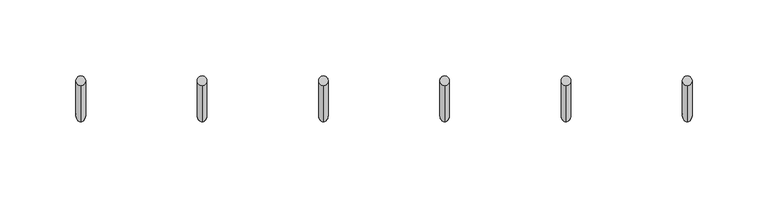
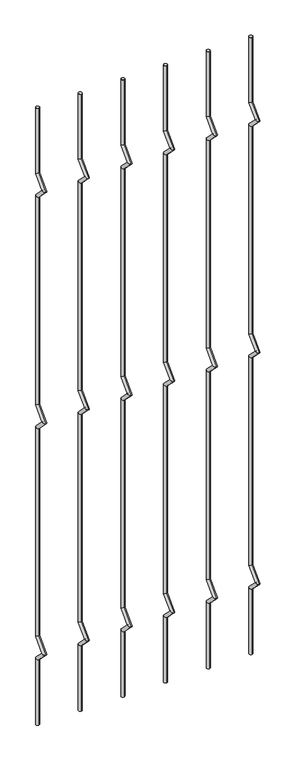
"""IFC4 building model written with IfcOpenShell, lengths in millimetres: railing geometry."""

from ifc_helpers import new_model, si_unit, frame, origin, place, context, project, spatial, circle_curve, ellipse_curve, source, transform, mapped, element, save
from ifc_brep_helpers import plane_surface, cylinder_surface, advanced_brep


def railing_8df06dd0(model_context):
    return source(origin(), model_context, "Body", "AdvancedBrep", [
        advanced_brep(
        [(-15845.0714853, 14808.5554142, 25.4), (-15845.0714853, 14802.2054142, 25.4), (-15845.0714853, 14802.2054142, 154.0342316), (-15845.0714853, 14808.5554142, 156.6644878), (-15845.0714853, 14778.4396458, 177.8), (-15845.0714853, 14787.419902, 177.8), (-15845.0714853, 14802.2054142, 201.5657684), (-15845.0714853, 14808.5554142, 198.9355122), (-15845.0714853, 14802.2054142, 611.2342316), (-15845.0714853, 14808.5554142, 613.8644878), (-15845.0714853, 14778.4396458, 635.0), (-15845.0714853, 14787.419902, 635.0), (-15845.0714853, 14802.2054142, 658.7657684), (-15845.0714853, 14808.5554142, 656.1355122), (-15845.0714853, 14802.2054142, 1068.4342316), (-15845.0714853, 14808.5554142, 1071.0644878), (-15845.0714853, 14778.4396458, 1092.2), (-15845.0714853, 14787.419902, 1092.2), (-15845.0714853, 14802.2054142, 1115.9657684), (-15845.0714853, 14808.5554142, 1113.3355122), (-15845.0714853, 14808.5554142, 1244.6), (-15845.0714853, 14802.2054142, 1244.6)],
        [
            (0, 1, circle_curve(frame((-15845.0714853, 14805.3804142, 25.4), z_axis=(0.0, 0.0, -1.0), x_axis=(0.0, -1.0, 0.0)), 3.175)),
            (1, 0, circle_curve(frame((-15845.0714853, 14805.3804142, 25.4), z_axis=(0.0, 0.0, -1.0), x_axis=(0.0, -1.0, 0.0)), 3.175)),
            (1, 2),
            (2, 3, ellipse_curve(frame((-15845.0714853, 14805.3804142, 155.3493597), z_axis=(0.0, 0.3826834323650955, -0.9238795325112844), x_axis=(0.0, -0.9238795325112845, -0.38268343236509544)), 3.4365952, 3.175)),
            (3, 0),
            (3, 2, ellipse_curve(frame((-15845.0714853, 14805.3804142, 155.3493597), z_axis=(0.0, 0.3826834323650955, -0.9238795325112844), x_axis=(0.0, -0.9238795325112845, -0.38268343236509544)), 3.4365952, 3.175)),
            (2, 4),
            (4, 5, ellipse_curve(frame((-15845.0714853, 14782.9297739, 177.8), z_axis=(0.0, 0.0, -1.0), x_axis=(0.0, 1.0, 0.0)), 4.4901281, 3.175)),
            (5, 3),
            (5, 4, ellipse_curve(frame((-15845.0714853, 14782.9297739, 177.8), z_axis=(0.0, 0.0, -1.0), x_axis=(0.0, 1.0, 0.0)), 4.4901281, 3.175)),
            (4, 6),
            (6, 7, ellipse_curve(frame((-15845.0714853, 14805.3804142, 200.2506403), z_axis=(0.0, -0.3826834323650839, -0.9238795325112892), x_axis=(0.0, -0.9238795325112893, 0.38268343236508373)), 3.4365952, 3.175)),
            (7, 5),
            (7, 6, ellipse_curve(frame((-15845.0714853, 14805.3804142, 200.2506403), z_axis=(0.0, -0.3826834323650839, -0.9238795325112892), x_axis=(0.0, -0.9238795325112893, 0.38268343236508373)), 3.4365952, 3.175)),
            (6, 8),
            (8, 9, ellipse_curve(frame((-15845.0714853, 14805.3804142, 612.5493597), z_axis=(0.0, 0.3826834323651024, -0.9238795325112816), x_axis=(0.0, -0.9238795325112816, -0.382683432365102)), 3.4365952, 3.175)),
            (9, 7),
            (9, 8, ellipse_curve(frame((-15845.0714853, 14805.3804142, 612.5493597), z_axis=(0.0, 0.3826834323651024, -0.9238795325112816), x_axis=(0.0, -0.9238795325112816, -0.382683432365102)), 3.4365952, 3.175)),
            (8, 10),
            (10, 11, ellipse_curve(frame((-15845.0714853, 14782.9297739, 635.0), z_axis=(0.0, 0.0, -1.0), x_axis=(0.0, 1.0, 0.0)), 4.4901281, 3.175)),
            (11, 9),
            (11, 10, ellipse_curve(frame((-15845.0714853, 14782.9297739, 635.0), z_axis=(0.0, 0.0, -1.0), x_axis=(0.0, 1.0, 0.0)), 4.4901281, 3.175)),
            (10, 12),
            (12, 13, ellipse_curve(frame((-15845.0714853, 14805.3804142, 657.4506403), z_axis=(0.0, -0.3826834323650771, -0.923879532511292), x_axis=(0.0, -0.9238795325112918, 0.3826834323650773)), 3.4365952, 3.175)),
            (13, 11),
            (13, 12, ellipse_curve(frame((-15845.0714853, 14805.3804142, 657.4506403), z_axis=(0.0, -0.3826834323650771, -0.923879532511292), x_axis=(0.0, -0.9238795325112918, 0.3826834323650773)), 3.4365952, 3.175)),
            (12, 14),
            (14, 15, ellipse_curve(frame((-15845.0714853, 14805.3804142, 1069.7493597), z_axis=(0.0, 0.3826834323650978, -0.9238795325112834), x_axis=(0.0, -0.9238795325112834, -0.382683432365098)), 3.4365952, 3.175)),
            (15, 13),
            (15, 14, ellipse_curve(frame((-15845.0714853, 14805.3804142, 1069.7493597), z_axis=(0.0, 0.3826834323650978, -0.9238795325112834), x_axis=(0.0, -0.9238795325112834, -0.382683432365098)), 3.4365952, 3.175)),
            (14, 16),
            (16, 17, ellipse_curve(frame((-15845.0714853, 14782.9297739, 1092.2), z_axis=(0.0, 0.0, -1.0), x_axis=(0.0, 1.0, 0.0)), 4.4901281, 3.175)),
            (17, 15),
            (17, 16, ellipse_curve(frame((-15845.0714853, 14782.9297739, 1092.2), z_axis=(0.0, 0.0, -1.0), x_axis=(0.0, 1.0, 0.0)), 4.4901281, 3.175)),
            (16, 18),
            (18, 19, ellipse_curve(frame((-15845.0714853, 14805.3804142, 1114.6506403), z_axis=(0.0, -0.38268343236508223, -0.9238795325112898), x_axis=(0.0, -0.92387953251129, 0.38268343236508207)), 3.4365952, 3.175)),
            (19, 17),
            (19, 18, ellipse_curve(frame((-15845.0714853, 14805.3804142, 1114.6506403), z_axis=(0.0, -0.38268343236508223, -0.9238795325112898), x_axis=(0.0, -0.92387953251129, 0.38268343236508207)), 3.4365952, 3.175)),
            (20, 21, circle_curve(frame((-15845.0714853, 14805.3804142, 1244.6), z_axis=(0.0, 0.0, 1.0), x_axis=(0.0, -1.0, 0.0)), 3.175)),
            (21, 20, circle_curve(frame((-15845.0714853, 14805.3804142, 1244.6), z_axis=(0.0, 0.0, 1.0), x_axis=(0.0, -1.0, 0.0)), 3.175)),
            (18, 21),
            (20, 19),
        ],
        [
            plane_surface(frame((-15845.0714853, 14805.3804142, 25.4), z_axis=(0.0, 0.0, -1.0), x_axis=(-1.0, 0.0, 0.0))),
            cylinder_surface(frame((-15845.0714853, 14805.3804142, 25.4), z_axis=(0.0, 0.0, -1.0), x_axis=(0.0, -1.0, 0.0)), 3.175),
            cylinder_surface(frame((-15845.0714853, 14805.3804142, 155.3493597), z_axis=(0.0, 0.7071067811865563, -0.7071067811865388), x_axis=(0.0, -0.7071067811865388, -0.7071067811865563)), 3.175),
            cylinder_surface(frame((-15845.0714853, 14782.9297739, 177.8), z_axis=(0.0, -0.7071067811865385, -0.7071067811865568), x_axis=(0.0, -0.7071067811865568, 0.7071067811865385)), 3.175),
            cylinder_surface(frame((-15845.0714853, 14805.3804142, 200.2506403), z_axis=(0.0, 0.0, -1.0), x_axis=(0.0, -1.0, 0.0)), 3.175),
            cylinder_surface(frame((-15845.0714853, 14805.3804142, 612.5493597), z_axis=(0.0, 0.7071067811865669, -0.707106781186528), x_axis=(0.0, -0.707106781186528, -0.7071067811865669)), 3.175),
            cylinder_surface(frame((-15845.0714853, 14782.9297739, 635.0), z_axis=(0.0, -0.7071067811865279, -0.7071067811865672), x_axis=(0.0, -0.7071067811865672, 0.7071067811865279)), 3.175),
            cylinder_surface(frame((-15845.0714853, 14805.3804142, 657.4506403), z_axis=(0.0, 0.0, -1.0), x_axis=(0.0, -1.0, 0.0)), 3.175),
            cylinder_surface(frame((-15845.0714853, 14805.3804142, 1069.7493597), z_axis=(0.0, 0.7071067811865601, -0.707106781186535), x_axis=(0.0, -0.707106781186535, -0.7071067811865601)), 3.175),
            cylinder_surface(frame((-15845.0714853, 14782.9297739, 1092.2), z_axis=(0.0, -0.7071067811865356, -0.7071067811865596), x_axis=(0.0, -0.7071067811865596, 0.7071067811865356)), 3.175),
            plane_surface(frame((-15845.0714853, 14805.3804142, 1244.6), z_axis=(0.0, 0.0, 1.0), x_axis=(-1.0, 0.0, 0.0))),
            cylinder_surface(frame((-15845.0714853, 14805.3804142, 1114.6506403), z_axis=(0.0, 0.0, -1.0), x_axis=(0.0, -1.0, 0.0)), 3.175),
        ],
        [
            (0, [[1, 2]]),
            (1, [[3, 4, 5, -2]]),
            (1, [[-5, 6, -3, -1]]),
            (2, [[7, 8, 9, -4]]),
            (2, [[-9, 10, -7, -6]]),
            (3, [[11, 12, 13, -8]]),
            (3, [[-13, 14, -11, -10]]),
            (4, [[15, 16, 17, -12]]),
            (4, [[-17, 18, -15, -14]]),
            (5, [[19, 20, 21, -16]]),
            (5, [[-21, 22, -19, -18]]),
            (6, [[23, 24, 25, -20]]),
            (6, [[-25, 26, -23, -22]]),
            (7, [[27, 28, 29, -24]]),
            (7, [[-29, 30, -27, -26]]),
            (8, [[31, 32, 33, -28]]),
            (8, [[-33, 34, -31, -30]]),
            (9, [[35, 36, 37, -32]]),
            (9, [[-37, 38, -35, -34]]),
            (10, [[39, 40]]),
            (11, [[41, -39, 42, -36]]),
            (11, [[-42, -40, -41, -38]]),
        ],
    ),
        advanced_brep(
        [(-15765.1951695, 14808.5554142, 25.4), (-15765.1951695, 14802.2054142, 25.4), (-15765.1951695, 14802.2054142, 154.0342316), (-15765.1951695, 14808.5554142, 156.6644878), (-15765.1951695, 14778.4396458, 177.8), (-15765.1951695, 14787.419902, 177.8), (-15765.1951695, 14802.2054142, 201.5657684), (-15765.1951695, 14808.5554142, 198.9355122), (-15765.1951695, 14802.2054142, 611.2342316), (-15765.1951695, 14808.5554142, 613.8644878), (-15765.1951695, 14778.4396458, 635.0), (-15765.1951695, 14787.419902, 635.0), (-15765.1951695, 14802.2054142, 658.7657684), (-15765.1951695, 14808.5554142, 656.1355122), (-15765.1951695, 14802.2054142, 1068.4342316), (-15765.1951695, 14808.5554142, 1071.0644878), (-15765.1951695, 14778.4396458, 1092.2), (-15765.1951695, 14787.419902, 1092.2), (-15765.1951695, 14802.2054142, 1115.9657684), (-15765.1951695, 14808.5554142, 1113.3355122), (-15765.1951695, 14808.5554142, 1244.6), (-15765.1951695, 14802.2054142, 1244.6)],
        [
            (0, 1, circle_curve(frame((-15765.1951695, 14805.3804142, 25.4), z_axis=(0.0, 0.0, -1.0), x_axis=(0.0, -1.0, 0.0)), 3.175)),
            (1, 0, circle_curve(frame((-15765.1951695, 14805.3804142, 25.4), z_axis=(0.0, 0.0, -1.0), x_axis=(0.0, -1.0, 0.0)), 3.175)),
            (1, 2),
            (2, 3, ellipse_curve(frame((-15765.1951695, 14805.3804142, 155.3493597), z_axis=(0.0, 0.3826834323650955, -0.9238795325112844), x_axis=(0.0, -0.9238795325112845, -0.38268343236509544)), 3.4365952, 3.175)),
            (3, 0),
            (3, 2, ellipse_curve(frame((-15765.1951695, 14805.3804142, 155.3493597), z_axis=(0.0, 0.3826834323650955, -0.9238795325112844), x_axis=(0.0, -0.9238795325112845, -0.38268343236509544)), 3.4365952, 3.175)),
            (2, 4),
            (4, 5, ellipse_curve(frame((-15765.1951695, 14782.9297739, 177.8), z_axis=(0.0, 0.0, -1.0), x_axis=(0.0, 1.0, 0.0)), 4.4901281, 3.175)),
            (5, 3),
            (5, 4, ellipse_curve(frame((-15765.1951695, 14782.9297739, 177.8), z_axis=(0.0, 0.0, -1.0), x_axis=(0.0, 1.0, 0.0)), 4.4901281, 3.175)),
            (4, 6),
            (6, 7, ellipse_curve(frame((-15765.1951695, 14805.3804142, 200.2506403), z_axis=(0.0, -0.3826834323650839, -0.9238795325112892), x_axis=(0.0, -0.9238795325112893, 0.38268343236508373)), 3.4365952, 3.175)),
            (7, 5),
            (7, 6, ellipse_curve(frame((-15765.1951695, 14805.3804142, 200.2506403), z_axis=(0.0, -0.3826834323650839, -0.9238795325112892), x_axis=(0.0, -0.9238795325112893, 0.38268343236508373)), 3.4365952, 3.175)),
            (6, 8),
            (8, 9, ellipse_curve(frame((-15765.1951695, 14805.3804142, 612.5493597), z_axis=(0.0, 0.3826834323651024, -0.9238795325112816), x_axis=(0.0, -0.9238795325112816, -0.382683432365102)), 3.4365952, 3.175)),
            (9, 7),
            (9, 8, ellipse_curve(frame((-15765.1951695, 14805.3804142, 612.5493597), z_axis=(0.0, 0.3826834323651024, -0.9238795325112816), x_axis=(0.0, -0.9238795325112816, -0.382683432365102)), 3.4365952, 3.175)),
            (8, 10),
            (10, 11, ellipse_curve(frame((-15765.1951695, 14782.9297739, 635.0), z_axis=(0.0, 0.0, -1.0), x_axis=(0.0, 1.0, 0.0)), 4.4901281, 3.175)),
            (11, 9),
            (11, 10, ellipse_curve(frame((-15765.1951695, 14782.9297739, 635.0), z_axis=(0.0, 0.0, -1.0), x_axis=(0.0, 1.0, 0.0)), 4.4901281, 3.175)),
            (10, 12),
            (12, 13, ellipse_curve(frame((-15765.1951695, 14805.3804142, 657.4506403), z_axis=(0.0, -0.3826834323650771, -0.923879532511292), x_axis=(0.0, -0.9238795325112918, 0.3826834323650773)), 3.4365952, 3.175)),
            (13, 11),
            (13, 12, ellipse_curve(frame((-15765.1951695, 14805.3804142, 657.4506403), z_axis=(0.0, -0.3826834323650771, -0.923879532511292), x_axis=(0.0, -0.9238795325112918, 0.3826834323650773)), 3.4365952, 3.175)),
            (12, 14),
            (14, 15, ellipse_curve(frame((-15765.1951695, 14805.3804142, 1069.7493597), z_axis=(0.0, 0.3826834323650978, -0.9238795325112834), x_axis=(0.0, -0.9238795325112834, -0.382683432365098)), 3.4365952, 3.175)),
            (15, 13),
            (15, 14, ellipse_curve(frame((-15765.1951695, 14805.3804142, 1069.7493597), z_axis=(0.0, 0.3826834323650978, -0.9238795325112834), x_axis=(0.0, -0.9238795325112834, -0.382683432365098)), 3.4365952, 3.175)),
            (14, 16),
            (16, 17, ellipse_curve(frame((-15765.1951695, 14782.9297739, 1092.2), z_axis=(0.0, 0.0, -1.0), x_axis=(0.0, 1.0, 0.0)), 4.4901281, 3.175)),
            (17, 15),
            (17, 16, ellipse_curve(frame((-15765.1951695, 14782.9297739, 1092.2), z_axis=(0.0, 0.0, -1.0), x_axis=(0.0, 1.0, 0.0)), 4.4901281, 3.175)),
            (16, 18),
            (18, 19, ellipse_curve(frame((-15765.1951695, 14805.3804142, 1114.6506403), z_axis=(0.0, -0.38268343236508223, -0.9238795325112898), x_axis=(0.0, -0.92387953251129, 0.38268343236508207)), 3.4365952, 3.175)),
            (19, 17),
            (19, 18, ellipse_curve(frame((-15765.1951695, 14805.3804142, 1114.6506403), z_axis=(0.0, -0.38268343236508223, -0.9238795325112898), x_axis=(0.0, -0.92387953251129, 0.38268343236508207)), 3.4365952, 3.175)),
            (20, 21, circle_curve(frame((-15765.1951695, 14805.3804142, 1244.6), z_axis=(0.0, 0.0, 1.0), x_axis=(0.0, -1.0, 0.0)), 3.175)),
            (21, 20, circle_curve(frame((-15765.1951695, 14805.3804142, 1244.6), z_axis=(0.0, 0.0, 1.0), x_axis=(0.0, -1.0, 0.0)), 3.175)),
            (18, 21),
            (20, 19),
        ],
        [
            plane_surface(frame((-15765.1951695, 14805.3804142, 25.4), z_axis=(0.0, 0.0, -1.0), x_axis=(-1.0, 0.0, 0.0))),
            cylinder_surface(frame((-15765.1951695, 14805.3804142, 25.4), z_axis=(0.0, 0.0, -1.0), x_axis=(0.0, -1.0, 0.0)), 3.175),
            cylinder_surface(frame((-15765.1951695, 14805.3804142, 155.3493597), z_axis=(0.0, 0.7071067811865563, -0.7071067811865388), x_axis=(0.0, -0.7071067811865388, -0.7071067811865563)), 3.175),
            cylinder_surface(frame((-15765.1951695, 14782.9297739, 177.8), z_axis=(0.0, -0.7071067811865385, -0.7071067811865568), x_axis=(0.0, -0.7071067811865568, 0.7071067811865385)), 3.175),
            cylinder_surface(frame((-15765.1951695, 14805.3804142, 200.2506403), z_axis=(0.0, 0.0, -1.0), x_axis=(0.0, -1.0, 0.0)), 3.175),
            cylinder_surface(frame((-15765.1951695, 14805.3804142, 612.5493597), z_axis=(0.0, 0.7071067811865669, -0.707106781186528), x_axis=(0.0, -0.707106781186528, -0.7071067811865669)), 3.175),
            cylinder_surface(frame((-15765.1951695, 14782.9297739, 635.0), z_axis=(0.0, -0.7071067811865279, -0.7071067811865672), x_axis=(0.0, -0.7071067811865672, 0.7071067811865279)), 3.175),
            cylinder_surface(frame((-15765.1951695, 14805.3804142, 657.4506403), z_axis=(0.0, 0.0, -1.0), x_axis=(0.0, -1.0, 0.0)), 3.175),
            cylinder_surface(frame((-15765.1951695, 14805.3804142, 1069.7493597), z_axis=(0.0, 0.7071067811865601, -0.707106781186535), x_axis=(0.0, -0.707106781186535, -0.7071067811865601)), 3.175),
            cylinder_surface(frame((-15765.1951695, 14782.9297739, 1092.2), z_axis=(0.0, -0.7071067811865356, -0.7071067811865596), x_axis=(0.0, -0.7071067811865596, 0.7071067811865356)), 3.175),
            plane_surface(frame((-15765.1951695, 14805.3804142, 1244.6), z_axis=(0.0, 0.0, 1.0), x_axis=(-1.0, 0.0, 0.0))),
            cylinder_surface(frame((-15765.1951695, 14805.3804142, 1114.6506403), z_axis=(0.0, 0.0, -1.0), x_axis=(0.0, -1.0, 0.0)), 3.175),
        ],
        [
            (0, [[1, 2]]),
            (1, [[3, 4, 5, -2]]),
            (1, [[-5, 6, -3, -1]]),
            (2, [[7, 8, 9, -4]]),
            (2, [[-9, 10, -7, -6]]),
            (3, [[11, 12, 13, -8]]),
            (3, [[-13, 14, -11, -10]]),
            (4, [[15, 16, 17, -12]]),
            (4, [[-17, 18, -15, -14]]),
            (5, [[19, 20, 21, -16]]),
            (5, [[-21, 22, -19, -18]]),
            (6, [[23, 24, 25, -20]]),
            (6, [[-25, 26, -23, -22]]),
            (7, [[27, 28, 29, -24]]),
            (7, [[-29, 30, -27, -26]]),
            (8, [[31, 32, 33, -28]]),
            (8, [[-33, 34, -31, -30]]),
            (9, [[35, 36, 37, -32]]),
            (9, [[-37, 38, -35, -34]]),
            (10, [[39, 40]]),
            (11, [[41, -39, 42, -36]]),
            (11, [[-42, -40, -41, -38]]),
        ],
    ),
        advanced_brep(
        [(-15685.3188537, 14808.5554142, 25.4), (-15685.3188537, 14802.2054142, 25.4), (-15685.3188537, 14802.2054142, 154.0342316), (-15685.3188537, 14808.5554142, 156.6644878), (-15685.3188537, 14778.4396458, 177.8), (-15685.3188537, 14787.419902, 177.8), (-15685.3188537, 14802.2054142, 201.5657684), (-15685.3188537, 14808.5554142, 198.9355122), (-15685.3188537, 14802.2054142, 611.2342316), (-15685.3188537, 14808.5554142, 613.8644878), (-15685.3188537, 14778.4396458, 635.0), (-15685.3188537, 14787.419902, 635.0), (-15685.3188537, 14802.2054142, 658.7657684), (-15685.3188537, 14808.5554142, 656.1355122), (-15685.3188537, 14802.2054142, 1068.4342316), (-15685.3188537, 14808.5554142, 1071.0644878), (-15685.3188537, 14778.4396458, 1092.2), (-15685.3188537, 14787.419902, 1092.2), (-15685.3188537, 14802.2054142, 1115.9657684), (-15685.3188537, 14808.5554142, 1113.3355122), (-15685.3188537, 14808.5554142, 1244.6), (-15685.3188537, 14802.2054142, 1244.6)],
        [
            (0, 1, circle_curve(frame((-15685.3188537, 14805.3804142, 25.4), z_axis=(0.0, 0.0, -1.0), x_axis=(0.0, -1.0, 0.0)), 3.175)),
            (1, 0, circle_curve(frame((-15685.3188537, 14805.3804142, 25.4), z_axis=(0.0, 0.0, -1.0), x_axis=(0.0, -1.0, 0.0)), 3.175)),
            (1, 2),
            (2, 3, ellipse_curve(frame((-15685.3188537, 14805.3804142, 155.3493597), z_axis=(0.0, 0.3826834323650955, -0.9238795325112844), x_axis=(0.0, -0.9238795325112845, -0.38268343236509544)), 3.4365952, 3.175)),
            (3, 0),
            (3, 2, ellipse_curve(frame((-15685.3188537, 14805.3804142, 155.3493597), z_axis=(0.0, 0.3826834323650955, -0.9238795325112844), x_axis=(0.0, -0.9238795325112845, -0.38268343236509544)), 3.4365952, 3.175)),
            (2, 4),
            (4, 5, ellipse_curve(frame((-15685.3188537, 14782.9297739, 177.8), z_axis=(0.0, 0.0, -1.0), x_axis=(0.0, 1.0, 0.0)), 4.4901281, 3.175)),
            (5, 3),
            (5, 4, ellipse_curve(frame((-15685.3188537, 14782.9297739, 177.8), z_axis=(0.0, 0.0, -1.0), x_axis=(0.0, 1.0, 0.0)), 4.4901281, 3.175)),
            (4, 6),
            (6, 7, ellipse_curve(frame((-15685.3188537, 14805.3804142, 200.2506403), z_axis=(0.0, -0.3826834323650839, -0.9238795325112892), x_axis=(0.0, -0.9238795325112893, 0.38268343236508373)), 3.4365952, 3.175)),
            (7, 5),
            (7, 6, ellipse_curve(frame((-15685.3188537, 14805.3804142, 200.2506403), z_axis=(0.0, -0.3826834323650839, -0.9238795325112892), x_axis=(0.0, -0.9238795325112893, 0.38268343236508373)), 3.4365952, 3.175)),
            (6, 8),
            (8, 9, ellipse_curve(frame((-15685.3188537, 14805.3804142, 612.5493597), z_axis=(0.0, 0.3826834323651024, -0.9238795325112816), x_axis=(0.0, -0.9238795325112816, -0.382683432365102)), 3.4365952, 3.175)),
            (9, 7),
            (9, 8, ellipse_curve(frame((-15685.3188537, 14805.3804142, 612.5493597), z_axis=(0.0, 0.3826834323651024, -0.9238795325112816), x_axis=(0.0, -0.9238795325112816, -0.382683432365102)), 3.4365952, 3.175)),
            (8, 10),
            (10, 11, ellipse_curve(frame((-15685.3188537, 14782.9297739, 635.0), z_axis=(0.0, 0.0, -1.0), x_axis=(0.0, 1.0, 0.0)), 4.4901281, 3.175)),
            (11, 9),
            (11, 10, ellipse_curve(frame((-15685.3188537, 14782.9297739, 635.0), z_axis=(0.0, 0.0, -1.0), x_axis=(0.0, 1.0, 0.0)), 4.4901281, 3.175)),
            (10, 12),
            (12, 13, ellipse_curve(frame((-15685.3188537, 14805.3804142, 657.4506403), z_axis=(0.0, -0.3826834323650771, -0.923879532511292), x_axis=(0.0, -0.9238795325112918, 0.3826834323650773)), 3.4365952, 3.175)),
            (13, 11),
            (13, 12, ellipse_curve(frame((-15685.3188537, 14805.3804142, 657.4506403), z_axis=(0.0, -0.3826834323650771, -0.923879532511292), x_axis=(0.0, -0.9238795325112918, 0.3826834323650773)), 3.4365952, 3.175)),
            (12, 14),
            (14, 15, ellipse_curve(frame((-15685.3188537, 14805.3804142, 1069.7493597), z_axis=(0.0, 0.3826834323650978, -0.9238795325112834), x_axis=(0.0, -0.9238795325112834, -0.382683432365098)), 3.4365952, 3.175)),
            (15, 13),
            (15, 14, ellipse_curve(frame((-15685.3188537, 14805.3804142, 1069.7493597), z_axis=(0.0, 0.3826834323650978, -0.9238795325112834), x_axis=(0.0, -0.9238795325112834, -0.382683432365098)), 3.4365952, 3.175)),
            (14, 16),
            (16, 17, ellipse_curve(frame((-15685.3188537, 14782.9297739, 1092.2), z_axis=(0.0, 0.0, -1.0), x_axis=(0.0, 1.0, 0.0)), 4.4901281, 3.175)),
            (17, 15),
            (17, 16, ellipse_curve(frame((-15685.3188537, 14782.9297739, 1092.2), z_axis=(0.0, 0.0, -1.0), x_axis=(0.0, 1.0, 0.0)), 4.4901281, 3.175)),
            (16, 18),
            (18, 19, ellipse_curve(frame((-15685.3188537, 14805.3804142, 1114.6506403), z_axis=(0.0, -0.38268343236508223, -0.9238795325112898), x_axis=(0.0, -0.92387953251129, 0.38268343236508207)), 3.4365952, 3.175)),
            (19, 17),
            (19, 18, ellipse_curve(frame((-15685.3188537, 14805.3804142, 1114.6506403), z_axis=(0.0, -0.38268343236508223, -0.9238795325112898), x_axis=(0.0, -0.92387953251129, 0.38268343236508207)), 3.4365952, 3.175)),
            (20, 21, circle_curve(frame((-15685.3188537, 14805.3804142, 1244.6), z_axis=(0.0, 0.0, 1.0), x_axis=(0.0, -1.0, 0.0)), 3.175)),
            (21, 20, circle_curve(frame((-15685.3188537, 14805.3804142, 1244.6), z_axis=(0.0, 0.0, 1.0), x_axis=(0.0, -1.0, 0.0)), 3.175)),
            (18, 21),
            (20, 19),
        ],
        [
            plane_surface(frame((-15685.3188537, 14805.3804142, 25.4), z_axis=(0.0, 0.0, -1.0), x_axis=(-1.0, 0.0, 0.0))),
            cylinder_surface(frame((-15685.3188537, 14805.3804142, 25.4), z_axis=(0.0, 0.0, -1.0), x_axis=(0.0, -1.0, 0.0)), 3.175),
            cylinder_surface(frame((-15685.3188537, 14805.3804142, 155.3493597), z_axis=(0.0, 0.7071067811865563, -0.7071067811865388), x_axis=(0.0, -0.7071067811865388, -0.7071067811865563)), 3.175),
            cylinder_surface(frame((-15685.3188537, 14782.9297739, 177.8), z_axis=(0.0, -0.7071067811865385, -0.7071067811865568), x_axis=(0.0, -0.7071067811865568, 0.7071067811865385)), 3.175),
            cylinder_surface(frame((-15685.3188537, 14805.3804142, 200.2506403), z_axis=(0.0, 0.0, -1.0), x_axis=(0.0, -1.0, 0.0)), 3.175),
            cylinder_surface(frame((-15685.3188537, 14805.3804142, 612.5493597), z_axis=(0.0, 0.7071067811865669, -0.707106781186528), x_axis=(0.0, -0.707106781186528, -0.7071067811865669)), 3.175),
            cylinder_surface(frame((-15685.3188537, 14782.9297739, 635.0), z_axis=(0.0, -0.7071067811865279, -0.7071067811865672), x_axis=(0.0, -0.7071067811865672, 0.7071067811865279)), 3.175),
            cylinder_surface(frame((-15685.3188537, 14805.3804142, 657.4506403), z_axis=(0.0, 0.0, -1.0), x_axis=(0.0, -1.0, 0.0)), 3.175),
            cylinder_surface(frame((-15685.3188537, 14805.3804142, 1069.7493597), z_axis=(0.0, 0.7071067811865601, -0.707106781186535), x_axis=(0.0, -0.707106781186535, -0.7071067811865601)), 3.175),
            cylinder_surface(frame((-15685.3188537, 14782.9297739, 1092.2), z_axis=(0.0, -0.7071067811865356, -0.7071067811865596), x_axis=(0.0, -0.7071067811865596, 0.7071067811865356)), 3.175),
            plane_surface(frame((-15685.3188537, 14805.3804142, 1244.6), z_axis=(0.0, 0.0, 1.0), x_axis=(-1.0, 0.0, 0.0))),
            cylinder_surface(frame((-15685.3188537, 14805.3804142, 1114.6506403), z_axis=(0.0, 0.0, -1.0), x_axis=(0.0, -1.0, 0.0)), 3.175),
        ],
        [
            (0, [[1, 2]]),
            (1, [[3, 4, 5, -2]]),
            (1, [[-5, 6, -3, -1]]),
            (2, [[7, 8, 9, -4]]),
            (2, [[-9, 10, -7, -6]]),
            (3, [[11, 12, 13, -8]]),
            (3, [[-13, 14, -11, -10]]),
            (4, [[15, 16, 17, -12]]),
            (4, [[-17, 18, -15, -14]]),
            (5, [[19, 20, 21, -16]]),
            (5, [[-21, 22, -19, -18]]),
            (6, [[23, 24, 25, -20]]),
            (6, [[-25, 26, -23, -22]]),
            (7, [[27, 28, 29, -24]]),
            (7, [[-29, 30, -27, -26]]),
            (8, [[31, 32, 33, -28]]),
            (8, [[-33, 34, -31, -30]]),
            (9, [[35, 36, 37, -32]]),
            (9, [[-37, 38, -35, -34]]),
            (10, [[39, 40]]),
            (11, [[41, -39, 42, -36]]),
            (11, [[-42, -40, -41, -38]]),
        ],
    ),
        advanced_brep(
        [(-15605.4425379, 14808.5554142, 25.4), (-15605.4425379, 14802.2054142, 25.4), (-15605.4425379, 14802.2054142, 154.0342316), (-15605.4425379, 14808.5554142, 156.6644878), (-15605.4425379, 14778.4396458, 177.8), (-15605.4425379, 14787.419902, 177.8), (-15605.4425379, 14802.2054142, 201.5657684), (-15605.4425379, 14808.5554142, 198.9355122), (-15605.4425379, 14802.2054142, 611.2342316), (-15605.4425379, 14808.5554142, 613.8644878), (-15605.4425379, 14778.4396458, 635.0), (-15605.4425379, 14787.419902, 635.0), (-15605.4425379, 14802.2054142, 658.7657684), (-15605.4425379, 14808.5554142, 656.1355122), (-15605.4425379, 14802.2054142, 1068.4342316), (-15605.4425379, 14808.5554142, 1071.0644878), (-15605.4425379, 14778.4396458, 1092.2), (-15605.4425379, 14787.419902, 1092.2), (-15605.4425379, 14802.2054142, 1115.9657684), (-15605.4425379, 14808.5554142, 1113.3355122), (-15605.4425379, 14808.5554142, 1244.6), (-15605.4425379, 14802.2054142, 1244.6)],
        [
            (0, 1, circle_curve(frame((-15605.4425379, 14805.3804142, 25.4), z_axis=(0.0, 0.0, -1.0), x_axis=(0.0, -1.0, 0.0)), 3.175)),
            (1, 0, circle_curve(frame((-15605.4425379, 14805.3804142, 25.4), z_axis=(0.0, 0.0, -1.0), x_axis=(0.0, -1.0, 0.0)), 3.175)),
            (1, 2),
            (2, 3, ellipse_curve(frame((-15605.4425379, 14805.3804142, 155.3493597), z_axis=(0.0, 0.3826834323650955, -0.9238795325112844), x_axis=(0.0, -0.9238795325112845, -0.38268343236509544)), 3.4365952, 3.175)),
            (3, 0),
            (3, 2, ellipse_curve(frame((-15605.4425379, 14805.3804142, 155.3493597), z_axis=(0.0, 0.3826834323650955, -0.9238795325112844), x_axis=(0.0, -0.9238795325112845, -0.38268343236509544)), 3.4365952, 3.175)),
            (2, 4),
            (4, 5, ellipse_curve(frame((-15605.4425379, 14782.9297739, 177.8), z_axis=(0.0, 0.0, -1.0), x_axis=(0.0, 1.0, 0.0)), 4.4901281, 3.175)),
            (5, 3),
            (5, 4, ellipse_curve(frame((-15605.4425379, 14782.9297739, 177.8), z_axis=(0.0, 0.0, -1.0), x_axis=(0.0, 1.0, 0.0)), 4.4901281, 3.175)),
            (4, 6),
            (6, 7, ellipse_curve(frame((-15605.4425379, 14805.3804142, 200.2506403), z_axis=(0.0, -0.3826834323650839, -0.9238795325112892), x_axis=(0.0, -0.9238795325112893, 0.38268343236508373)), 3.4365952, 3.175)),
            (7, 5),
            (7, 6, ellipse_curve(frame((-15605.4425379, 14805.3804142, 200.2506403), z_axis=(0.0, -0.3826834323650839, -0.9238795325112892), x_axis=(0.0, -0.9238795325112893, 0.38268343236508373)), 3.4365952, 3.175)),
            (6, 8),
            (8, 9, ellipse_curve(frame((-15605.4425379, 14805.3804142, 612.5493597), z_axis=(0.0, 0.3826834323651024, -0.9238795325112816), x_axis=(0.0, -0.9238795325112816, -0.382683432365102)), 3.4365952, 3.175)),
            (9, 7),
            (9, 8, ellipse_curve(frame((-15605.4425379, 14805.3804142, 612.5493597), z_axis=(0.0, 0.3826834323651024, -0.9238795325112816), x_axis=(0.0, -0.9238795325112816, -0.382683432365102)), 3.4365952, 3.175)),
            (8, 10),
            (10, 11, ellipse_curve(frame((-15605.4425379, 14782.9297739, 635.0), z_axis=(0.0, 0.0, -1.0), x_axis=(0.0, 1.0, 0.0)), 4.4901281, 3.175)),
            (11, 9),
            (11, 10, ellipse_curve(frame((-15605.4425379, 14782.9297739, 635.0), z_axis=(0.0, 0.0, -1.0), x_axis=(0.0, 1.0, 0.0)), 4.4901281, 3.175)),
            (10, 12),
            (12, 13, ellipse_curve(frame((-15605.4425379, 14805.3804142, 657.4506403), z_axis=(0.0, -0.3826834323650771, -0.923879532511292), x_axis=(0.0, -0.9238795325112918, 0.3826834323650773)), 3.4365952, 3.175)),
            (13, 11),
            (13, 12, ellipse_curve(frame((-15605.4425379, 14805.3804142, 657.4506403), z_axis=(0.0, -0.3826834323650771, -0.923879532511292), x_axis=(0.0, -0.9238795325112918, 0.3826834323650773)), 3.4365952, 3.175)),
            (12, 14),
            (14, 15, ellipse_curve(frame((-15605.4425379, 14805.3804142, 1069.7493597), z_axis=(0.0, 0.3826834323650978, -0.9238795325112834), x_axis=(0.0, -0.9238795325112834, -0.382683432365098)), 3.4365952, 3.175)),
            (15, 13),
            (15, 14, ellipse_curve(frame((-15605.4425379, 14805.3804142, 1069.7493597), z_axis=(0.0, 0.3826834323650978, -0.9238795325112834), x_axis=(0.0, -0.9238795325112834, -0.382683432365098)), 3.4365952, 3.175)),
            (14, 16),
            (16, 17, ellipse_curve(frame((-15605.4425379, 14782.9297739, 1092.2), z_axis=(0.0, 0.0, -1.0), x_axis=(0.0, 1.0, 0.0)), 4.4901281, 3.175)),
            (17, 15),
            (17, 16, ellipse_curve(frame((-15605.4425379, 14782.9297739, 1092.2), z_axis=(0.0, 0.0, -1.0), x_axis=(0.0, 1.0, 0.0)), 4.4901281, 3.175)),
            (16, 18),
            (18, 19, ellipse_curve(frame((-15605.4425379, 14805.3804142, 1114.6506403), z_axis=(0.0, -0.38268343236508223, -0.9238795325112898), x_axis=(0.0, -0.92387953251129, 0.38268343236508207)), 3.4365952, 3.175)),
            (19, 17),
            (19, 18, ellipse_curve(frame((-15605.4425379, 14805.3804142, 1114.6506403), z_axis=(0.0, -0.38268343236508223, -0.9238795325112898), x_axis=(0.0, -0.92387953251129, 0.38268343236508207)), 3.4365952, 3.175)),
            (20, 21, circle_curve(frame((-15605.4425379, 14805.3804142, 1244.6), z_axis=(0.0, 0.0, 1.0), x_axis=(0.0, -1.0, 0.0)), 3.175)),
            (21, 20, circle_curve(frame((-15605.4425379, 14805.3804142, 1244.6), z_axis=(0.0, 0.0, 1.0), x_axis=(0.0, -1.0, 0.0)), 3.175)),
            (18, 21),
            (20, 19),
        ],
        [
            plane_surface(frame((-15605.4425379, 14805.3804142, 25.4), z_axis=(0.0, 0.0, -1.0), x_axis=(-1.0, 0.0, 0.0))),
            cylinder_surface(frame((-15605.4425379, 14805.3804142, 25.4), z_axis=(0.0, 0.0, -1.0), x_axis=(0.0, -1.0, 0.0)), 3.175),
            cylinder_surface(frame((-15605.4425379, 14805.3804142, 155.3493597), z_axis=(0.0, 0.7071067811865563, -0.7071067811865388), x_axis=(0.0, -0.7071067811865388, -0.7071067811865563)), 3.175),
            cylinder_surface(frame((-15605.4425379, 14782.9297739, 177.8), z_axis=(0.0, -0.7071067811865385, -0.7071067811865568), x_axis=(0.0, -0.7071067811865568, 0.7071067811865385)), 3.175),
            cylinder_surface(frame((-15605.4425379, 14805.3804142, 200.2506403), z_axis=(0.0, 0.0, -1.0), x_axis=(0.0, -1.0, 0.0)), 3.175),
            cylinder_surface(frame((-15605.4425379, 14805.3804142, 612.5493597), z_axis=(0.0, 0.7071067811865669, -0.707106781186528), x_axis=(0.0, -0.707106781186528, -0.7071067811865669)), 3.175),
            cylinder_surface(frame((-15605.4425379, 14782.9297739, 635.0), z_axis=(0.0, -0.7071067811865279, -0.7071067811865672), x_axis=(0.0, -0.7071067811865672, 0.7071067811865279)), 3.175),
            cylinder_surface(frame((-15605.4425379, 14805.3804142, 657.4506403), z_axis=(0.0, 0.0, -1.0), x_axis=(0.0, -1.0, 0.0)), 3.175),
            cylinder_surface(frame((-15605.4425379, 14805.3804142, 1069.7493597), z_axis=(0.0, 0.7071067811865601, -0.707106781186535), x_axis=(0.0, -0.707106781186535, -0.7071067811865601)), 3.175),
            cylinder_surface(frame((-15605.4425379, 14782.9297739, 1092.2), z_axis=(0.0, -0.7071067811865356, -0.7071067811865596), x_axis=(0.0, -0.7071067811865596, 0.7071067811865356)), 3.175),
            plane_surface(frame((-15605.4425379, 14805.3804142, 1244.6), z_axis=(0.0, 0.0, 1.0), x_axis=(-1.0, 0.0, 0.0))),
            cylinder_surface(frame((-15605.4425379, 14805.3804142, 1114.6506403), z_axis=(0.0, 0.0, -1.0), x_axis=(0.0, -1.0, 0.0)), 3.175),
        ],
        [
            (0, [[1, 2]]),
            (1, [[3, 4, 5, -2]]),
            (1, [[-5, 6, -3, -1]]),
            (2, [[7, 8, 9, -4]]),
            (2, [[-9, 10, -7, -6]]),
            (3, [[11, 12, 13, -8]]),
            (3, [[-13, 14, -11, -10]]),
            (4, [[15, 16, 17, -12]]),
            (4, [[-17, 18, -15, -14]]),
            (5, [[19, 20, 21, -16]]),
            (5, [[-21, 22, -19, -18]]),
            (6, [[23, 24, 25, -20]]),
            (6, [[-25, 26, -23, -22]]),
            (7, [[27, 28, 29, -24]]),
            (7, [[-29, 30, -27, -26]]),
            (8, [[31, 32, 33, -28]]),
            (8, [[-33, 34, -31, -30]]),
            (9, [[35, 36, 37, -32]]),
            (9, [[-37, 38, -35, -34]]),
            (10, [[39, 40]]),
            (11, [[41, -39, 42, -36]]),
            (11, [[-42, -40, -41, -38]]),
        ],
    ),
        advanced_brep(
        [(-15525.5662221, 14808.5554142, 25.4), (-15525.5662221, 14802.2054142, 25.4), (-15525.5662221, 14802.2054142, 154.0342316), (-15525.5662221, 14808.5554142, 156.6644878), (-15525.5662221, 14778.4396458, 177.8), (-15525.5662221, 14787.419902, 177.8), (-15525.5662221, 14802.2054142, 201.5657684), (-15525.5662221, 14808.5554142, 198.9355122), (-15525.5662221, 14802.2054142, 611.2342316), (-15525.5662221, 14808.5554142, 613.8644878), (-15525.5662221, 14778.4396458, 635.0), (-15525.5662221, 14787.419902, 635.0), (-15525.5662221, 14802.2054142, 658.7657684), (-15525.5662221, 14808.5554142, 656.1355122), (-15525.5662221, 14802.2054142, 1068.4342316), (-15525.5662221, 14808.5554142, 1071.0644878), (-15525.5662221, 14778.4396458, 1092.2), (-15525.5662221, 14787.419902, 1092.2), (-15525.5662221, 14802.2054142, 1115.9657684), (-15525.5662221, 14808.5554142, 1113.3355122), (-15525.5662221, 14808.5554142, 1244.6), (-15525.5662221, 14802.2054142, 1244.6)],
        [
            (0, 1, circle_curve(frame((-15525.5662221, 14805.3804142, 25.4), z_axis=(0.0, 0.0, -1.0), x_axis=(0.0, -1.0, 0.0)), 3.175)),
            (1, 0, circle_curve(frame((-15525.5662221, 14805.3804142, 25.4), z_axis=(0.0, 0.0, -1.0), x_axis=(0.0, -1.0, 0.0)), 3.175)),
            (1, 2),
            (2, 3, ellipse_curve(frame((-15525.5662221, 14805.3804142, 155.3493597), z_axis=(0.0, 0.3826834323650955, -0.9238795325112844), x_axis=(0.0, -0.9238795325112845, -0.38268343236509544)), 3.4365952, 3.175)),
            (3, 0),
            (3, 2, ellipse_curve(frame((-15525.5662221, 14805.3804142, 155.3493597), z_axis=(0.0, 0.3826834323650955, -0.9238795325112844), x_axis=(0.0, -0.9238795325112845, -0.38268343236509544)), 3.4365952, 3.175)),
            (2, 4),
            (4, 5, ellipse_curve(frame((-15525.5662221, 14782.9297739, 177.8), z_axis=(0.0, 0.0, -1.0), x_axis=(0.0, 1.0, 0.0)), 4.4901281, 3.175)),
            (5, 3),
            (5, 4, ellipse_curve(frame((-15525.5662221, 14782.9297739, 177.8), z_axis=(0.0, 0.0, -1.0), x_axis=(0.0, 1.0, 0.0)), 4.4901281, 3.175)),
            (4, 6),
            (6, 7, ellipse_curve(frame((-15525.5662221, 14805.3804142, 200.2506403), z_axis=(0.0, -0.3826834323650839, -0.9238795325112892), x_axis=(0.0, -0.9238795325112893, 0.38268343236508373)), 3.4365952, 3.175)),
            (7, 5),
            (7, 6, ellipse_curve(frame((-15525.5662221, 14805.3804142, 200.2506403), z_axis=(0.0, -0.3826834323650839, -0.9238795325112892), x_axis=(0.0, -0.9238795325112893, 0.38268343236508373)), 3.4365952, 3.175)),
            (6, 8),
            (8, 9, ellipse_curve(frame((-15525.5662221, 14805.3804142, 612.5493597), z_axis=(0.0, 0.3826834323651024, -0.9238795325112816), x_axis=(0.0, -0.9238795325112816, -0.382683432365102)), 3.4365952, 3.175)),
            (9, 7),
            (9, 8, ellipse_curve(frame((-15525.5662221, 14805.3804142, 612.5493597), z_axis=(0.0, 0.3826834323651024, -0.9238795325112816), x_axis=(0.0, -0.9238795325112816, -0.382683432365102)), 3.4365952, 3.175)),
            (8, 10),
            (10, 11, ellipse_curve(frame((-15525.5662221, 14782.9297739, 635.0), z_axis=(0.0, 0.0, -1.0), x_axis=(0.0, 1.0, 0.0)), 4.4901281, 3.175)),
            (11, 9),
            (11, 10, ellipse_curve(frame((-15525.5662221, 14782.9297739, 635.0), z_axis=(0.0, 0.0, -1.0), x_axis=(0.0, 1.0, 0.0)), 4.4901281, 3.175)),
            (10, 12),
            (12, 13, ellipse_curve(frame((-15525.5662221, 14805.3804142, 657.4506403), z_axis=(0.0, -0.3826834323650771, -0.923879532511292), x_axis=(0.0, -0.9238795325112918, 0.3826834323650773)), 3.4365952, 3.175)),
            (13, 11),
            (13, 12, ellipse_curve(frame((-15525.5662221, 14805.3804142, 657.4506403), z_axis=(0.0, -0.3826834323650771, -0.923879532511292), x_axis=(0.0, -0.9238795325112918, 0.3826834323650773)), 3.4365952, 3.175)),
            (12, 14),
            (14, 15, ellipse_curve(frame((-15525.5662221, 14805.3804142, 1069.7493597), z_axis=(0.0, 0.3826834323650978, -0.9238795325112834), x_axis=(0.0, -0.9238795325112834, -0.382683432365098)), 3.4365952, 3.175)),
            (15, 13),
            (15, 14, ellipse_curve(frame((-15525.5662221, 14805.3804142, 1069.7493597), z_axis=(0.0, 0.3826834323650978, -0.9238795325112834), x_axis=(0.0, -0.9238795325112834, -0.382683432365098)), 3.4365952, 3.175)),
            (14, 16),
            (16, 17, ellipse_curve(frame((-15525.5662221, 14782.9297739, 1092.2), z_axis=(0.0, 0.0, -1.0), x_axis=(0.0, 1.0, 0.0)), 4.4901281, 3.175)),
            (17, 15),
            (17, 16, ellipse_curve(frame((-15525.5662221, 14782.9297739, 1092.2), z_axis=(0.0, 0.0, -1.0), x_axis=(0.0, 1.0, 0.0)), 4.4901281, 3.175)),
            (16, 18),
            (18, 19, ellipse_curve(frame((-15525.5662221, 14805.3804142, 1114.6506403), z_axis=(0.0, -0.38268343236508223, -0.9238795325112898), x_axis=(0.0, -0.92387953251129, 0.38268343236508207)), 3.4365952, 3.175)),
            (19, 17),
            (19, 18, ellipse_curve(frame((-15525.5662221, 14805.3804142, 1114.6506403), z_axis=(0.0, -0.38268343236508223, -0.9238795325112898), x_axis=(0.0, -0.92387953251129, 0.38268343236508207)), 3.4365952, 3.175)),
            (20, 21, circle_curve(frame((-15525.5662221, 14805.3804142, 1244.6), z_axis=(0.0, 0.0, 1.0), x_axis=(0.0, -1.0, 0.0)), 3.175)),
            (21, 20, circle_curve(frame((-15525.5662221, 14805.3804142, 1244.6), z_axis=(0.0, 0.0, 1.0), x_axis=(0.0, -1.0, 0.0)), 3.175)),
            (18, 21),
            (20, 19),
        ],
        [
            plane_surface(frame((-15525.5662221, 14805.3804142, 25.4), z_axis=(0.0, 0.0, -1.0), x_axis=(-1.0, 0.0, 0.0))),
            cylinder_surface(frame((-15525.5662221, 14805.3804142, 25.4), z_axis=(0.0, 0.0, -1.0), x_axis=(0.0, -1.0, 0.0)), 3.175),
            cylinder_surface(frame((-15525.5662221, 14805.3804142, 155.3493597), z_axis=(0.0, 0.7071067811865563, -0.7071067811865388), x_axis=(0.0, -0.7071067811865388, -0.7071067811865563)), 3.175),
            cylinder_surface(frame((-15525.5662221, 14782.9297739, 177.8), z_axis=(0.0, -0.7071067811865385, -0.7071067811865568), x_axis=(0.0, -0.7071067811865568, 0.7071067811865385)), 3.175),
            cylinder_surface(frame((-15525.5662221, 14805.3804142, 200.2506403), z_axis=(0.0, 0.0, -1.0), x_axis=(0.0, -1.0, 0.0)), 3.175),
            cylinder_surface(frame((-15525.5662221, 14805.3804142, 612.5493597), z_axis=(0.0, 0.7071067811865669, -0.707106781186528), x_axis=(0.0, -0.707106781186528, -0.7071067811865669)), 3.175),
            cylinder_surface(frame((-15525.5662221, 14782.9297739, 635.0), z_axis=(0.0, -0.7071067811865279, -0.7071067811865672), x_axis=(0.0, -0.7071067811865672, 0.7071067811865279)), 3.175),
            cylinder_surface(frame((-15525.5662221, 14805.3804142, 657.4506403), z_axis=(0.0, 0.0, -1.0), x_axis=(0.0, -1.0, 0.0)), 3.175),
            cylinder_surface(frame((-15525.5662221, 14805.3804142, 1069.7493597), z_axis=(0.0, 0.7071067811865601, -0.707106781186535), x_axis=(0.0, -0.707106781186535, -0.7071067811865601)), 3.175),
            cylinder_surface(frame((-15525.5662221, 14782.9297739, 1092.2), z_axis=(0.0, -0.7071067811865356, -0.7071067811865596), x_axis=(0.0, -0.7071067811865596, 0.7071067811865356)), 3.175),
            plane_surface(frame((-15525.5662221, 14805.3804142, 1244.6), z_axis=(0.0, 0.0, 1.0), x_axis=(-1.0, 0.0, 0.0))),
            cylinder_surface(frame((-15525.5662221, 14805.3804142, 1114.6506403), z_axis=(0.0, 0.0, -1.0), x_axis=(0.0, -1.0, 0.0)), 3.175),
        ],
        [
            (0, [[1, 2]]),
            (1, [[3, 4, 5, -2]]),
            (1, [[-5, 6, -3, -1]]),
            (2, [[7, 8, 9, -4]]),
            (2, [[-9, 10, -7, -6]]),
            (3, [[11, 12, 13, -8]]),
            (3, [[-13, 14, -11, -10]]),
            (4, [[15, 16, 17, -12]]),
            (4, [[-17, 18, -15, -14]]),
            (5, [[19, 20, 21, -16]]),
            (5, [[-21, 22, -19, -18]]),
            (6, [[23, 24, 25, -20]]),
            (6, [[-25, 26, -23, -22]]),
            (7, [[27, 28, 29, -24]]),
            (7, [[-29, 30, -27, -26]]),
            (8, [[31, 32, 33, -28]]),
            (8, [[-33, 34, -31, -30]]),
            (9, [[35, 36, 37, -32]]),
            (9, [[-37, 38, -35, -34]]),
            (10, [[39, 40]]),
            (11, [[41, -39, 42, -36]]),
            (11, [[-42, -40, -41, -38]]),
        ],
    ),
        advanced_brep(
        [(-15445.6899063, 14808.5554142, 25.4), (-15445.6899063, 14802.2054142, 25.4), (-15445.6899063, 14802.2054142, 154.0342316), (-15445.6899063, 14808.5554142, 156.6644878), (-15445.6899063, 14778.4396458, 177.8), (-15445.6899063, 14787.419902, 177.8), (-15445.6899063, 14802.2054142, 201.5657684), (-15445.6899063, 14808.5554142, 198.9355122), (-15445.6899063, 14802.2054142, 611.2342316), (-15445.6899063, 14808.5554142, 613.8644878), (-15445.6899063, 14778.4396458, 635.0), (-15445.6899063, 14787.419902, 635.0), (-15445.6899063, 14802.2054142, 658.7657684), (-15445.6899063, 14808.5554142, 656.1355122), (-15445.6899063, 14802.2054142, 1068.4342316), (-15445.6899063, 14808.5554142, 1071.0644878), (-15445.6899063, 14778.4396458, 1092.2), (-15445.6899063, 14787.419902, 1092.2), (-15445.6899063, 14802.2054142, 1115.9657684), (-15445.6899063, 14808.5554142, 1113.3355122), (-15445.6899063, 14808.5554142, 1244.6), (-15445.6899063, 14802.2054142, 1244.6)],
        [
            (0, 1, circle_curve(frame((-15445.6899063, 14805.3804142, 25.4), z_axis=(0.0, 0.0, -1.0), x_axis=(0.0, -1.0, 0.0)), 3.175)),
            (1, 0, circle_curve(frame((-15445.6899063, 14805.3804142, 25.4), z_axis=(0.0, 0.0, -1.0), x_axis=(0.0, -1.0, 0.0)), 3.175)),
            (1, 2),
            (2, 3, ellipse_curve(frame((-15445.6899063, 14805.3804142, 155.3493597), z_axis=(0.0, 0.3826834323650955, -0.9238795325112844), x_axis=(0.0, -0.9238795325112845, -0.38268343236509544)), 3.4365952, 3.175)),
            (3, 0),
            (3, 2, ellipse_curve(frame((-15445.6899063, 14805.3804142, 155.3493597), z_axis=(0.0, 0.3826834323650955, -0.9238795325112844), x_axis=(0.0, -0.9238795325112845, -0.38268343236509544)), 3.4365952, 3.175)),
            (2, 4),
            (4, 5, ellipse_curve(frame((-15445.6899063, 14782.9297739, 177.8), z_axis=(0.0, 0.0, -1.0), x_axis=(0.0, 1.0, 0.0)), 4.4901281, 3.175)),
            (5, 3),
            (5, 4, ellipse_curve(frame((-15445.6899063, 14782.9297739, 177.8), z_axis=(0.0, 0.0, -1.0), x_axis=(0.0, 1.0, 0.0)), 4.4901281, 3.175)),
            (4, 6),
            (6, 7, ellipse_curve(frame((-15445.6899063, 14805.3804142, 200.2506403), z_axis=(0.0, -0.3826834323650839, -0.9238795325112892), x_axis=(0.0, -0.9238795325112893, 0.38268343236508373)), 3.4365952, 3.175)),
            (7, 5),
            (7, 6, ellipse_curve(frame((-15445.6899063, 14805.3804142, 200.2506403), z_axis=(0.0, -0.3826834323650839, -0.9238795325112892), x_axis=(0.0, -0.9238795325112893, 0.38268343236508373)), 3.4365952, 3.175)),
            (6, 8),
            (8, 9, ellipse_curve(frame((-15445.6899063, 14805.3804142, 612.5493597), z_axis=(0.0, 0.3826834323651024, -0.9238795325112816), x_axis=(0.0, -0.9238795325112816, -0.382683432365102)), 3.4365952, 3.175)),
            (9, 7),
            (9, 8, ellipse_curve(frame((-15445.6899063, 14805.3804142, 612.5493597), z_axis=(0.0, 0.3826834323651024, -0.9238795325112816), x_axis=(0.0, -0.9238795325112816, -0.382683432365102)), 3.4365952, 3.175)),
            (8, 10),
            (10, 11, ellipse_curve(frame((-15445.6899063, 14782.9297739, 635.0), z_axis=(0.0, 0.0, -1.0), x_axis=(0.0, 1.0, 0.0)), 4.4901281, 3.175)),
            (11, 9),
            (11, 10, ellipse_curve(frame((-15445.6899063, 14782.9297739, 635.0), z_axis=(0.0, 0.0, -1.0), x_axis=(0.0, 1.0, 0.0)), 4.4901281, 3.175)),
            (10, 12),
            (12, 13, ellipse_curve(frame((-15445.6899063, 14805.3804142, 657.4506403), z_axis=(0.0, -0.3826834323650771, -0.923879532511292), x_axis=(0.0, -0.9238795325112918, 0.3826834323650773)), 3.4365952, 3.175)),
            (13, 11),
            (13, 12, ellipse_curve(frame((-15445.6899063, 14805.3804142, 657.4506403), z_axis=(0.0, -0.3826834323650771, -0.923879532511292), x_axis=(0.0, -0.9238795325112918, 0.3826834323650773)), 3.4365952, 3.175)),
            (12, 14),
            (14, 15, ellipse_curve(frame((-15445.6899063, 14805.3804142, 1069.7493597), z_axis=(0.0, 0.3826834323650978, -0.9238795325112834), x_axis=(0.0, -0.9238795325112834, -0.382683432365098)), 3.4365952, 3.175)),
            (15, 13),
            (15, 14, ellipse_curve(frame((-15445.6899063, 14805.3804142, 1069.7493597), z_axis=(0.0, 0.3826834323650978, -0.9238795325112834), x_axis=(0.0, -0.9238795325112834, -0.382683432365098)), 3.4365952, 3.175)),
            (14, 16),
            (16, 17, ellipse_curve(frame((-15445.6899063, 14782.9297739, 1092.2), z_axis=(0.0, 0.0, -1.0), x_axis=(0.0, 1.0, 0.0)), 4.4901281, 3.175)),
            (17, 15),
            (17, 16, ellipse_curve(frame((-15445.6899063, 14782.9297739, 1092.2), z_axis=(0.0, 0.0, -1.0), x_axis=(0.0, 1.0, 0.0)), 4.4901281, 3.175)),
            (16, 18),
            (18, 19, ellipse_curve(frame((-15445.6899063, 14805.3804142, 1114.6506403), z_axis=(0.0, -0.38268343236508223, -0.9238795325112898), x_axis=(0.0, -0.92387953251129, 0.38268343236508207)), 3.4365952, 3.175)),
            (19, 17),
            (19, 18, ellipse_curve(frame((-15445.6899063, 14805.3804142, 1114.6506403), z_axis=(0.0, -0.38268343236508223, -0.9238795325112898), x_axis=(0.0, -0.92387953251129, 0.38268343236508207)), 3.4365952, 3.175)),
            (20, 21, circle_curve(frame((-15445.6899063, 14805.3804142, 1244.6), z_axis=(0.0, 0.0, 1.0), x_axis=(0.0, -1.0, 0.0)), 3.175)),
            (21, 20, circle_curve(frame((-15445.6899063, 14805.3804142, 1244.6), z_axis=(0.0, 0.0, 1.0), x_axis=(0.0, -1.0, 0.0)), 3.175)),
            (18, 21),
            (20, 19),
        ],
        [
            plane_surface(frame((-15445.6899063, 14805.3804142, 25.4), z_axis=(0.0, 0.0, -1.0), x_axis=(-1.0, 0.0, 0.0))),
            cylinder_surface(frame((-15445.6899063, 14805.3804142, 25.4), z_axis=(0.0, 0.0, -1.0), x_axis=(0.0, -1.0, 0.0)), 3.175),
            cylinder_surface(frame((-15445.6899063, 14805.3804142, 155.3493597), z_axis=(0.0, 0.7071067811865563, -0.7071067811865388), x_axis=(0.0, -0.7071067811865388, -0.7071067811865563)), 3.175),
            cylinder_surface(frame((-15445.6899063, 14782.9297739, 177.8), z_axis=(0.0, -0.7071067811865385, -0.7071067811865568), x_axis=(0.0, -0.7071067811865568, 0.7071067811865385)), 3.175),
            cylinder_surface(frame((-15445.6899063, 14805.3804142, 200.2506403), z_axis=(0.0, 0.0, -1.0), x_axis=(0.0, -1.0, 0.0)), 3.175),
            cylinder_surface(frame((-15445.6899063, 14805.3804142, 612.5493597), z_axis=(0.0, 0.7071067811865669, -0.707106781186528), x_axis=(0.0, -0.707106781186528, -0.7071067811865669)), 3.175),
            cylinder_surface(frame((-15445.6899063, 14782.9297739, 635.0), z_axis=(0.0, -0.7071067811865279, -0.7071067811865672), x_axis=(0.0, -0.7071067811865672, 0.7071067811865279)), 3.175),
            cylinder_surface(frame((-15445.6899063, 14805.3804142, 657.4506403), z_axis=(0.0, 0.0, -1.0), x_axis=(0.0, -1.0, 0.0)), 3.175),
            cylinder_surface(frame((-15445.6899063, 14805.3804142, 1069.7493597), z_axis=(0.0, 0.7071067811865601, -0.707106781186535), x_axis=(0.0, -0.707106781186535, -0.7071067811865601)), 3.175),
            cylinder_surface(frame((-15445.6899063, 14782.9297739, 1092.2), z_axis=(0.0, -0.7071067811865356, -0.7071067811865596), x_axis=(0.0, -0.7071067811865596, 0.7071067811865356)), 3.175),
            plane_surface(frame((-15445.6899063, 14805.3804142, 1244.6), z_axis=(0.0, 0.0, 1.0), x_axis=(-1.0, 0.0, 0.0))),
            cylinder_surface(frame((-15445.6899063, 14805.3804142, 1114.6506403), z_axis=(0.0, 0.0, -1.0), x_axis=(0.0, -1.0, 0.0)), 3.175),
        ],
        [
            (0, [[1, 2]]),
            (1, [[3, 4, 5, -2]]),
            (1, [[-5, 6, -3, -1]]),
            (2, [[7, 8, 9, -4]]),
            (2, [[-9, 10, -7, -6]]),
            (3, [[11, 12, 13, -8]]),
            (3, [[-13, 14, -11, -10]]),
            (4, [[15, 16, 17, -12]]),
            (4, [[-17, 18, -15, -14]]),
            (5, [[19, 20, 21, -16]]),
            (5, [[-21, 22, -19, -18]]),
            (6, [[23, 24, 25, -20]]),
            (6, [[-25, 26, -23, -22]]),
            (7, [[27, 28, 29, -24]]),
            (7, [[-29, 30, -27, -26]]),
            (8, [[31, 32, 33, -28]]),
            (8, [[-33, 34, -31, -30]]),
            (9, [[35, 36, 37, -32]]),
            (9, [[-37, 38, -35, -34]]),
            (10, [[39, 40]]),
            (11, [[41, -39, 42, -36]]),
            (11, [[-42, -40, -41, -38]]),
        ],
    ),
    ])


if __name__ == "__main__":
    model = new_model("IFC4")
    model_context = context("Model", 3, world=origin())
    ifc_project = project(units=[si_unit("LENGTHUNIT", "METRE", prefix="MILLI")], contexts=[model_context])
    site = spatial("IfcSite", under=ifc_project)
    building = spatial("IfcBuilding", under=site)
    placement = place(None, origin())
    railing_shape = railing_8df06dd0(model_context)
    element("IfcRailing", 1, at=placement, inside=building, context=model_context, shape_type="MappedRepresentation", body=[
        mapped(railing_shape, transform((0.0, 0.0, 0.0), x_axis=(1.0, 0.0, 0.0), y_axis=(0.0, 1.0, 0.0), z_axis=(0.0, 0.0, 1.0))),
    ])
    save(model, "model.ifc")
